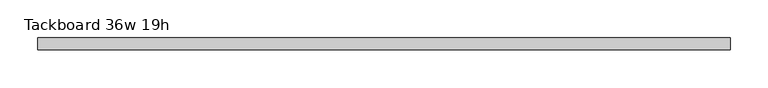
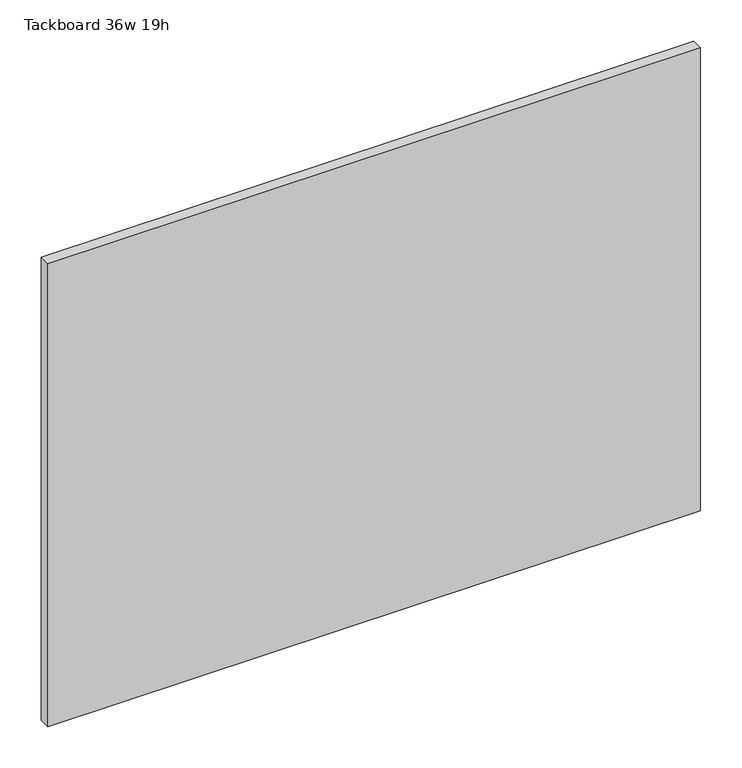
"""IFC4 building model written with IfcOpenShell, lengths in millimetres: furniture geometry, Tackboard 36w 19h."""

from ifc_helpers import new_model, si_unit, frame, origin, place, context, project, spatial, polyline, outline, extrude, source, transform, mapped, element, save


def tackboard_36w_19h_85c34edb(model_context):
    return source(origin(), model_context, "Body", "SweptSolid", [
        extrude(outline(polyline([(459.6402902, -28.8968594), (-454.7597098, -28.8968594), (-454.7597098, -13.0218594), (459.6402902, -13.0218594), (459.6402902, -28.8968594)])), frame((0.0, 0.0, 1066.8), z_axis=(0.0, 0.0, 1.0), x_axis=(1.0, 0.0, 0.0)), (0.0, 0.0, 1.0), 685.8),
    ])


if __name__ == "__main__":
    model = new_model("IFC4")
    model_context = context("Model", 3, world=origin())
    ifc_project = project(units=[si_unit("LENGTHUNIT", "METRE", prefix="MILLI")], contexts=[model_context])
    site = spatial("IfcSite", under=ifc_project)
    building = spatial("IfcBuilding", under=site)
    placement = place(None, origin())
    tackboard_36w_19h_shape = tackboard_36w_19h_85c34edb(model_context)
    element("IfcFurniture", 1, ObjectType="Tackboard 36w 19h", at=placement, inside=building, context=model_context, shape_type="MappedRepresentation", body=[
        mapped(tackboard_36w_19h_shape, transform((0.0, 0.0, 0.0), x_axis=(1.0, 0.0, 0.0), y_axis=(0.0, 1.0, 0.0), z_axis=(0.0, 0.0, 1.0))),
    ])
    save(model, "model.ifc")
